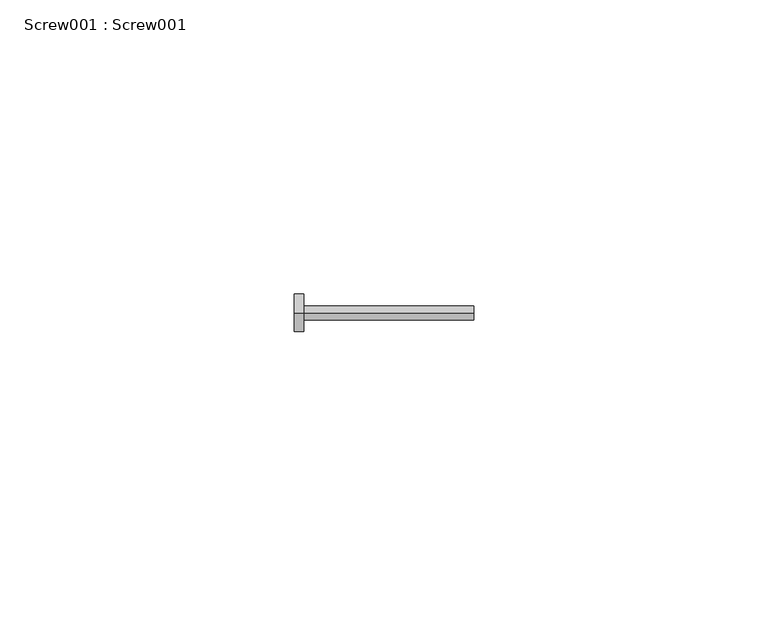
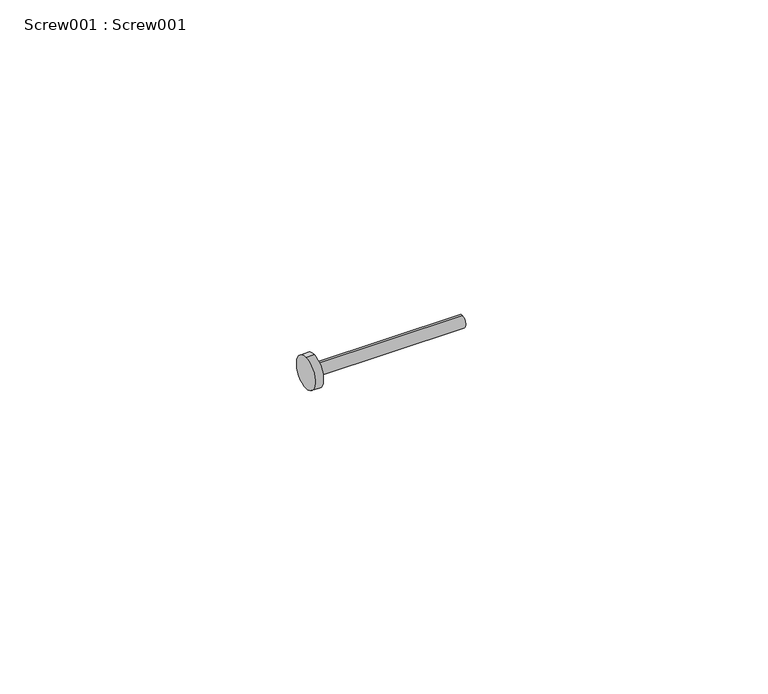
"""IFC4 building model written with IfcOpenShell, lengths in millimetres: proxy geometry, Screw001 : Screw001."""

from ifc_helpers import new_model, si_unit, point, frame, frame_2d, origin, place, context, project, spatial, circle_curve, trimmed, segment, composite_curve, outline, extrude, source, transform, mapped, element, save


def screw001_screw001_afe685dd(model_context):
    return source(origin(), model_context, "Body", "SweptSolid", [
        extrude(outline(composite_curve([segment(trimmed(circle_curve(frame_2d((-25896.873649, 4543.8378755)), 3.175), [point((-25896.873649, 4547.0128755))], [point((-25896.873649, 4540.6628755))], False, "CARTESIAN"), True, "CONTINUOUS"), segment(trimmed(circle_curve(frame_2d((-25896.873649, 4543.8378755)), 3.175), [point((-25896.873649, 4540.6628755))], [point((-25896.873649, 4547.0128755))], False, "CARTESIAN"), True, "CONTINUOUS")], self_intersect=False)), frame((42199.4271966, 0.0, 0.0), z_axis=(1.0, 0.0, 0.0), x_axis=(0.0, 1.0, 0.0)), (0.0, 0.0, 1.0), 1.5875),
        extrude(outline(composite_curve([segment(trimmed(circle_curve(frame_2d((-25896.873649, 4543.8378755)), 1.190625), [point((-25896.873649, 4545.0285005))], [point((-25896.873649, 4542.6472505))], False, "CARTESIAN"), True, "CONTINUOUS"), segment(trimmed(circle_curve(frame_2d((-25896.873649, 4543.8378755)), 1.190625), [point((-25896.873649, 4542.6472505))], [point((-25896.873649, 4545.0285005))], False, "CARTESIAN"), True, "CONTINUOUS")], self_intersect=False)), frame((42201.0146966, 0.0, 0.0), z_axis=(1.0, 0.0, 0.0), x_axis=(0.0, 1.0, 0.0)), (0.0, 0.0, 1.0), 28.8165981),
    ])


if __name__ == "__main__":
    model = new_model("IFC4")
    model_context = context("Model", 3, world=origin())
    ifc_project = project(units=[si_unit("LENGTHUNIT", "METRE", prefix="MILLI")], contexts=[model_context])
    site = spatial("IfcSite", under=ifc_project)
    building = spatial("IfcBuilding", under=site)
    placement = place(None, origin())
    screw001_screw001_shape = screw001_screw001_afe685dd(model_context)
    element("IfcBuildingElementProxy", 1, Name="Screw001 : Screw001", ObjectType="Screw001 : Screw001", at=placement, inside=building, context=model_context, shape_type="MappedRepresentation", body=[
        mapped(screw001_screw001_shape, transform((0.0, 0.0, 0.0), x_axis=(1.0, 0.0, 0.0), y_axis=(0.0, 1.0, 0.0), z_axis=(0.0, 0.0, 1.0))),
    ])
    save(model, "model.ifc")
